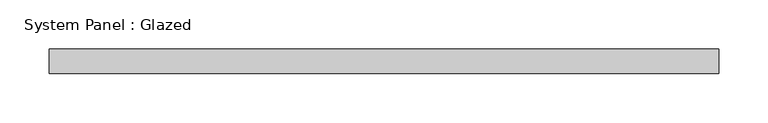
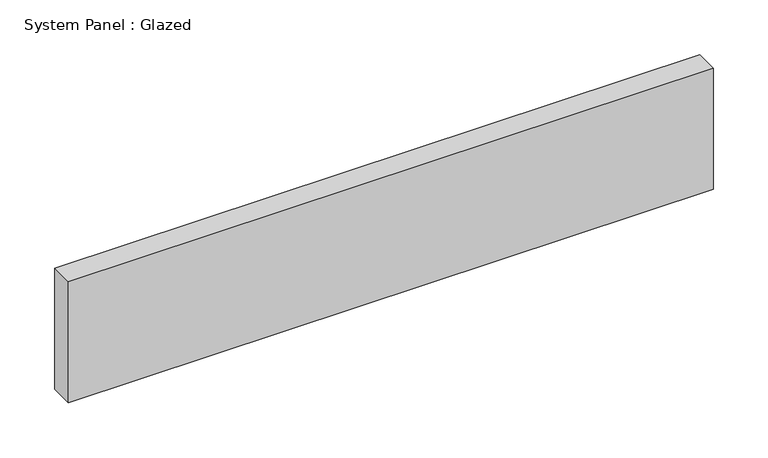
"""IFC4 building model written with IfcOpenShell, lengths in millimetres: plate geometry, System Panel : Glazed."""

from ifc_helpers import new_model, si_unit, origin, origin_with_axes, place, context, project, spatial, polyline, outline, extrude, source, transform, mapped, element, save


def system_panel_glazed_acedbcda(model_context):
    return source(origin(), model_context, "Body", "SweptSolid", [
        extrude(outline(polyline([(340.0, 24.5), (-340.0, 24.5), (-340.0, 49.5), (340.0, 49.5), (340.0, 24.5)])), origin_with_axes(), (0.0, 0.0, 1.0), 135.0),
    ])


if __name__ == "__main__":
    model = new_model("IFC4")
    model_context = context("Model", 3, world=origin())
    ifc_project = project(units=[si_unit("LENGTHUNIT", "METRE", prefix="MILLI")], contexts=[model_context])
    site = spatial("IfcSite", under=ifc_project)
    building = spatial("IfcBuilding", under=site)
    placement = place(None, origin())
    system_panel_glazed_shape = system_panel_glazed_acedbcda(model_context)
    element("IfcPlate", 1, ObjectType="System Panel : Glazed", at=placement, inside=building, context=model_context, shape_type="MappedRepresentation", body=[
        mapped(system_panel_glazed_shape, transform((0.0, 0.0, 0.0), x_axis=(1.0, 0.0, 0.0), y_axis=(0.0, 1.0, 0.0), z_axis=(0.0, 0.0, 1.0))),
    ])
    save(model, "model.ifc")
